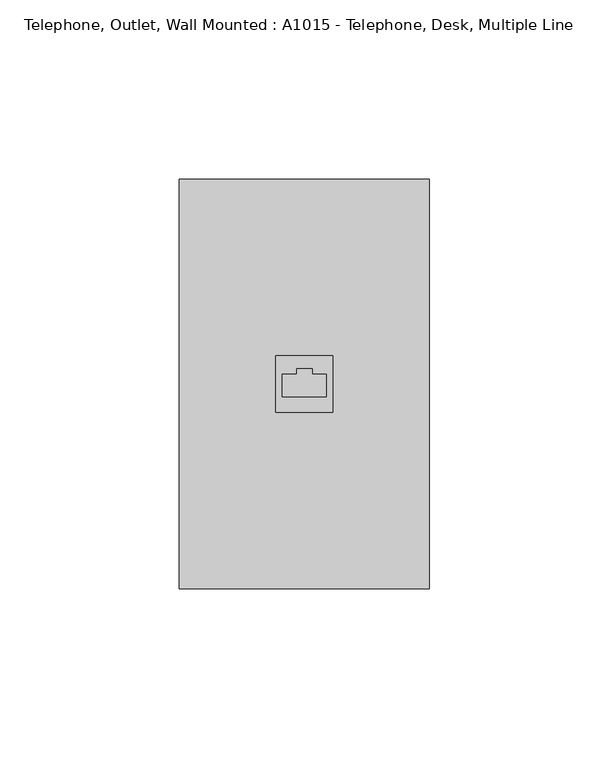
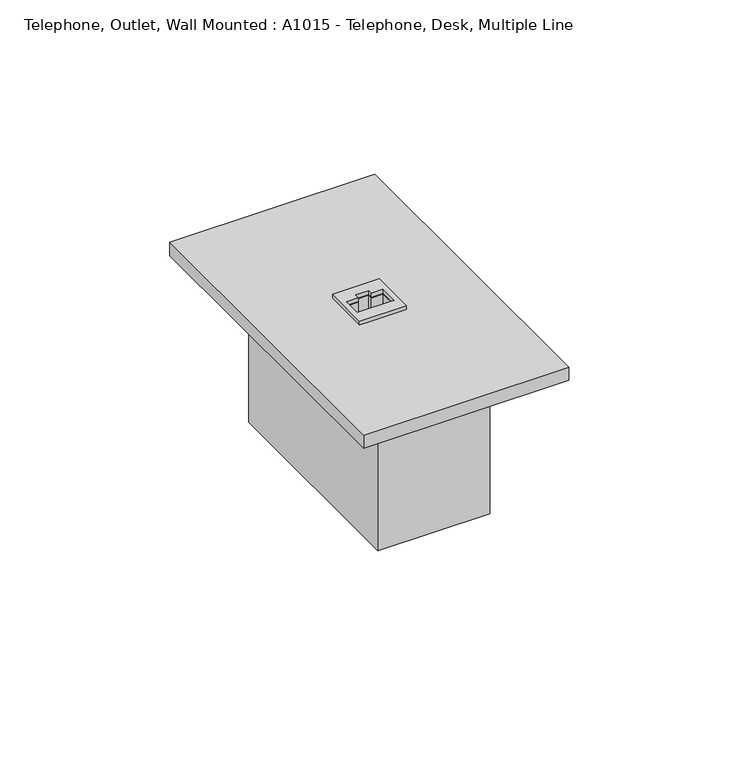
"""IFC4 building model written with IfcOpenShell, lengths in millimetres: electric appliance geometry, Telephone, Outlet, Wall Mounted : A1015 - Telephone, Desk, Multiple Line."""

from ifc_helpers import new_model, si_unit, frame, origin, origin_with_axes, place, context, project, spatial, polyline, outline, extrude, source, transform, mapped, element, save


def telephone_outlet_wall_mounted_a1015_telephone_desk_multiple_06418e79(model_context):
    return source(origin(), model_context, "Body", "SweptSolid", [
        extrude(outline(polyline([(34.925, 57.15), (34.925, -57.15), (-34.925, -57.15), (-34.925, 57.15), (34.925, 57.15)]), holes=[polyline([(6.1840426, 2.6725887), (2.2152926, 2.6725887), (2.2152926, 4.2600887), (-2.1698748, 4.2600887), (-2.1698748, 2.6725887), (-6.1761054, 2.6725887), (-6.1761054, -3.6317489), (6.1840426, -3.6317489), (6.1840426, 2.6725887)])]), origin_with_axes(), (0.0, 0.0, 1.0), 4.7625),
        extrude(outline(polyline([(19.05, 38.1), (19.05, -38.1), (-19.05, -38.1), (-19.05, 38.1), (19.05, 38.1)])), frame((0.0, 0.0, -53.975), z_axis=(0.0, 0.0, 1.0), x_axis=(1.0, 0.0, 0.0)), (0.0, 0.0, 1.0), 53.975),
        extrude(outline(polyline([(-7.9375, 7.9375), (7.9375, 7.9375), (7.9375, -7.9375), (-7.9375, -7.9375), (-7.9375, 7.9375)]), holes=[polyline([(6.1840426, 2.6725887), (2.2152926, 2.6725887), (2.2152926, 4.2600887), (-2.1698748, 4.2600887), (-2.1698748, 2.6725887), (-6.1761054, 2.6725887), (-6.1761054, -3.6317489), (6.1840426, -3.6317489), (6.1840426, 2.6725887)])]), frame((0.0, 0.0, 0.1002738), z_axis=(0.0, 0.0, 1.0), x_axis=(1.0, 0.0, 0.0)), (0.0, 0.0, 1.0), 6.35),
    ])


if __name__ == "__main__":
    model = new_model("IFC4")
    model_context = context("Model", 3, world=origin())
    ifc_project = project(units=[si_unit("LENGTHUNIT", "METRE", prefix="MILLI")], contexts=[model_context])
    site = spatial("IfcSite", under=ifc_project)
    building = spatial("IfcBuilding", under=site)
    placement = place(None, origin())
    telephone_outlet_wall_mounted_a1015_telephone_desk_multiple_shape = telephone_outlet_wall_mounted_a1015_telephone_desk_multiple_06418e79(model_context)
    element("IfcElectricAppliance", 1, ObjectType="Telephone, Outlet, Wall Mounted : A1015 - Telephone, Desk, Multiple Line", at=placement, inside=building, context=model_context, shape_type="MappedRepresentation", body=[
        mapped(telephone_outlet_wall_mounted_a1015_telephone_desk_multiple_shape, transform((0.0, 0.0, 0.0), x_axis=(1.0, 0.0, 0.0), y_axis=(0.0, 1.0, 0.0), z_axis=(0.0, 0.0, 1.0))),
    ])
    save(model, "model.ifc")
